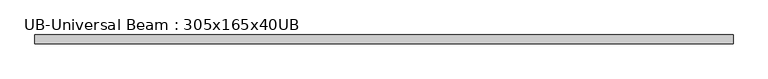
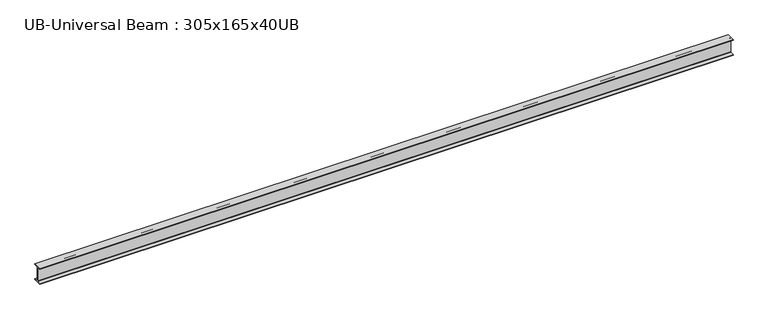
"""IFC4 building model written with IfcOpenShell, lengths in millimetres: beam geometry, UB-Universal Beam : 305x165x40UB."""

from ifc_helpers import new_model, si_unit, point, frame, frame_2d, origin, place, context, project, spatial, polyline, circle_curve, trimmed, segment, composite_curve, outline, extrude, source, transform, mapped, element, save


def ub_universal_beam_305x165x40ub_f2fdab85(model_context):
    return source(origin(), model_context, "Body", "SweptSolid", [
        extrude(outline(composite_curve([segment(polyline([(82.5, -141.5), (82.5, -151.7), (-82.5, -151.7), (-82.5, -141.5), (-11.9, -141.5)]), True, "CONTINUOUS"), segment(trimmed(circle_curve(frame_2d((-11.9, -132.6)), 8.9), [point((-11.9, -141.5))], [point((-3.0, -132.6))], True, "CARTESIAN"), True, "CONTINUOUS"), segment(polyline([(-3.0, -132.6), (-3.0, 132.6)]), True, "CONTINUOUS"), segment(trimmed(circle_curve(frame_2d((-11.9, 132.6)), 8.9), [point((-3.0, 132.6))], [point((-11.9, 141.5))], True, "CARTESIAN"), True, "CONTINUOUS"), segment(polyline([(-11.9, 141.5), (-82.5, 141.5), (-82.5, 151.7), (82.5, 151.7), (82.5, 141.5), (11.9, 141.5)]), True, "CONTINUOUS"), segment(trimmed(circle_curve(frame_2d((11.9, 132.6)), 8.9), [point((11.9, 141.5))], [point((3.0, 132.6))], True, "CARTESIAN"), True, "CONTINUOUS"), segment(polyline([(3.0, 132.6), (3.0, -132.6)]), True, "CONTINUOUS"), segment(trimmed(circle_curve(frame_2d((11.9, -132.6)), 8.9), [point((3.0, -132.6))], [point((11.9, -141.5))], True, "CARTESIAN"), True, "CONTINUOUS"), segment(polyline([(11.9, -141.5), (82.5, -141.5)]), True, "CONTINUOUS")], self_intersect=False)), frame((-6573.975, 0.0, 0.0), z_axis=(1.0, 0.0, 0.0), x_axis=(0.0, 1.0, 0.0)), (0.0, 0.0, 1.0), 13147.95),
    ])


if __name__ == "__main__":
    model = new_model("IFC4")
    model_context = context("Model", 3, world=origin())
    ifc_project = project(units=[si_unit("LENGTHUNIT", "METRE", prefix="MILLI")], contexts=[model_context])
    site = spatial("IfcSite", under=ifc_project)
    building = spatial("IfcBuilding", under=site)
    placement = place(None, origin())
    ub_universal_beam_305x165x40ub_shape = ub_universal_beam_305x165x40ub_f2fdab85(model_context)
    element("IfcBeam", 1, ObjectType="UB-Universal Beam : 305x165x40UB", at=placement, inside=building, context=model_context, shape_type="MappedRepresentation", body=[
        mapped(ub_universal_beam_305x165x40ub_shape, transform((0.0, 0.0, 0.0), x_axis=(1.0, 0.0, 0.0), y_axis=(0.0, 1.0, 0.0), z_axis=(0.0, 0.0, 1.0))),
    ])
    save(model, "model.ifc")
